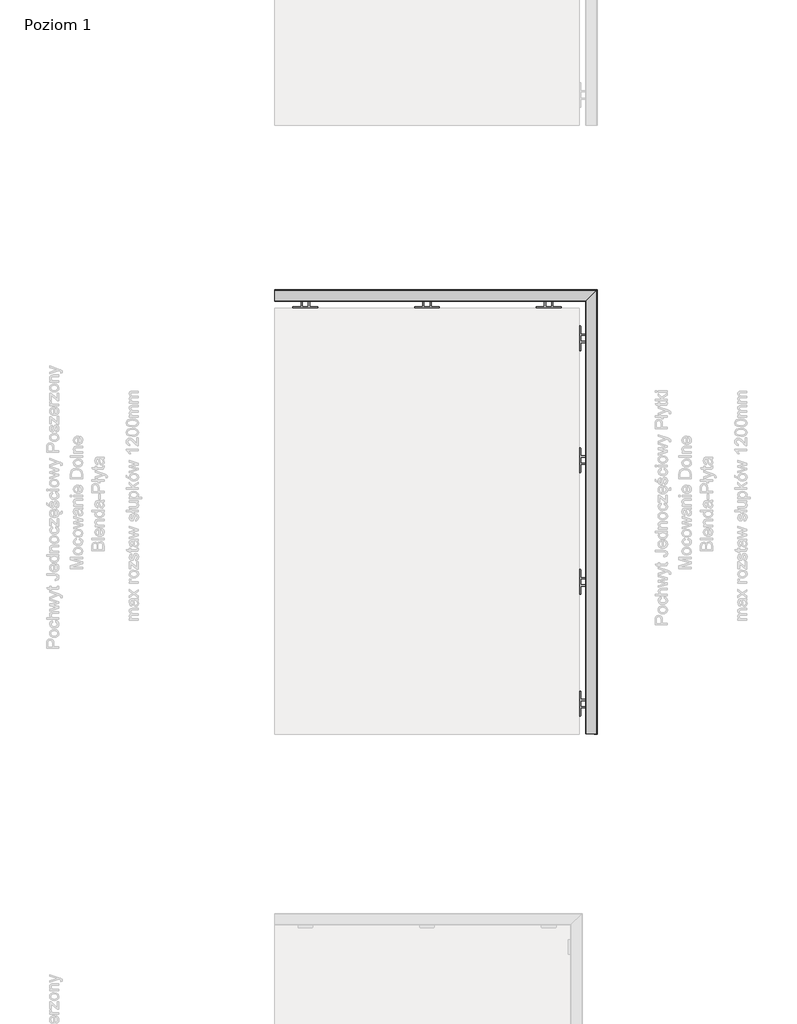
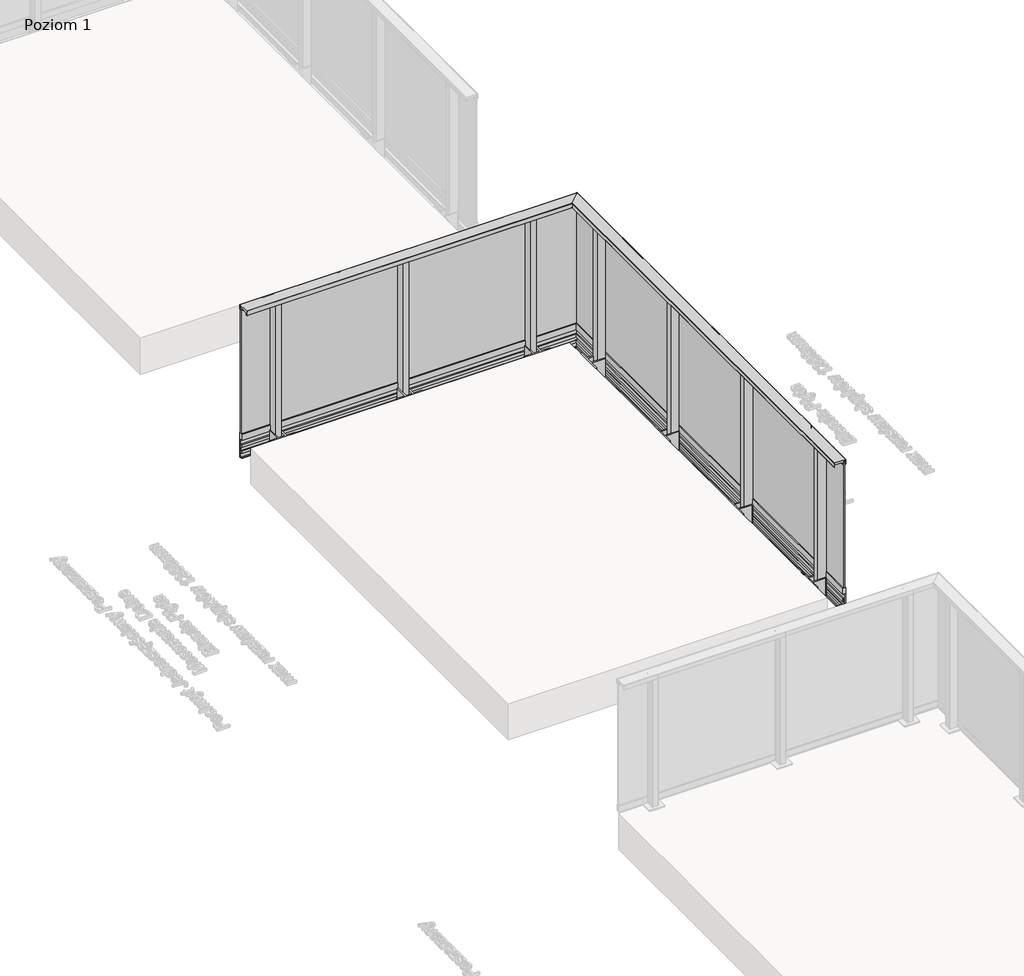
# One storey, part 3 of 35: 1 railing.
"""IFC4 building model written with IfcOpenShell, lengths in millimetres."""

from ifc_helpers import new_model, si_unit, frame, origin, place, context, project, spatial, polyline, circle_curve, ellipse_curve, outline, extrude, faceted_brep, element, save
from ifc_brep_helpers import plane_surface, cylinder_surface, revolved_surface, advanced_brep

model = new_model("IFC4")

# Units and contexts
model_context = context("Model", 3, world=origin())
ifc_project = project(units=[si_unit("LENGTHUNIT", "METRE", prefix="MILLI")], contexts=[model_context])

# Site, building, storey
site = spatial("IfcSite", under=ifc_project)
building = spatial("IfcBuilding", under=site)
storey = spatial("IfcBuildingStorey", under=building, Name="Poziom 1", Elevation=0.0)

# Railing
placement = place(None, origin())
element("IfcRailing", 1, at=placement, inside=storey, context=model_context, shape_type="SolidModel", body=[
    faceted_brep([(9530.9819967, -9629.5008183, -160.0), (9538.9819967, -9629.5008183, -160.0), (9538.9819967, -9629.5008183, -15.0), (9530.9819967, -9629.5008183, -15.0), (9530.9819967, -5989.5008183, -160.0), (9538.9819967, -5981.5008183, -160.0), (9538.9819967, -5981.5008183, -15.0), (9530.9819967, -5989.5008183, -15.0), (6890.9819967, -5989.5008183, -160.0), (6890.9819967, -5989.5008183, -15.0), (6890.9819967, -5981.5008183, -15.0), (6890.9819967, -5981.5008183, -160.0)], [[[0, 1, 2, 3]], [[1, 0, 4, 5]], [[2, 1, 5, 6]], [[3, 2, 6, 7]], [[0, 3, 7, 4]], [[8, 9, 10, 11]], [[5, 4, 8, 11]], [[6, 5, 11, 10]], [[7, 6, 10, 9]], [[4, 7, 9, 8]]]),
    faceted_brep([(9538.3652811, -9629.5008183, 37.0), (9514.3652811, -9629.5008183, 37.0), (9514.3652811, -9629.5008183, -13.15625), (9525.023675, -9629.5008183, -13.15625), (9525.023675, -9629.5008183, -50.6163494), (9514.3721534, -9629.5008183, -50.6163494), (9514.3721534, -9629.5008183, -72.6204288), (9516.4157985, -9629.5008183, -72.6204288), (9516.4157985, -9629.5008183, -52.6204288), (9527.3897991, -9629.5008183, -52.6204288), (9527.3897991, -9629.5008183, -119.2260542), (9516.4157985, -9629.5008183, -119.2260542), (9516.4157985, -9629.5008183, -99.2260542), (9514.3721534, -9629.5008183, -99.2260542), (9514.3721534, -9629.5008183, -121.2444445), (9525.023675, -9629.5008183, -121.2444445), (9525.023675, -9629.5008183, -158.2306744), (9516.2388511, -9629.5008183, -158.2306744), (9514.1935295, -9629.5008183, -158.2306744), (9514.1935295, -9629.5008183, -164.15625), (9538.3685602, -9629.5008183, -164.15625), (9538.3685602, -9629.5008183, -162.15625), (9527.3897991, -9629.5008183, -162.15625), (9527.3897991, -9629.5008183, -160.2306744), (9530.8948217, -9629.5008183, -160.2306744), (9530.8948217, -9629.5008183, -15.15625), (9527.3897991, -9629.5008183, -15.15625), (9527.3897991, -9629.5008183, -13.15625), (9538.3652811, -9629.5008183, -13.15625), (9538.3652811, -5982.117534, 37.0), (9514.3652811, -6006.117534, 37.0), (9514.3652811, -6006.117534, -13.15625), (9525.023675, -5995.4591401, -13.15625), (9525.023675, -5995.4591401, -50.6163494), (9514.3721534, -6006.1106616, -50.6163494), (9514.3721534, -6006.1106616, -72.6204288), (9516.4157985, -6004.0670165, -72.6204288), (9516.4157985, -6004.0670165, -52.6204288), (9527.3897991, -5993.093016, -52.6204288), (9527.3897991, -5993.093016, -119.2260542), (9516.4157985, -6004.0670165, -119.2260542), (9516.4157985, -6004.0670165, -99.2260542), (9514.3721534, -6006.1106616, -99.2260542), (9514.3721534, -6006.1106616, -121.2444445), (9525.023675, -5995.4591401, -121.2444445), (9525.023675, -5995.4591401, -158.2306744), (9516.2388511, -6004.243964, -158.2306744), (9514.1935295, -6006.2892856, -158.2306744), (9514.1935295, -6006.2892856, -164.15625), (9538.3685602, -5982.1142549, -164.15625), (9538.3685602, -5982.1142549, -162.15625), (9527.3897991, -5993.093016, -162.15625), (9527.3897991, -5993.093016, -160.2306744), (9530.8948217, -5989.5879934, -160.2306744), (9530.8948217, -5989.5879934, -15.15625), (9527.3897991, -5993.093016, -15.15625), (9527.3897991, -5993.093016, -13.15625), (9538.3652811, -5982.117534, -13.15625), (6890.9819967, -5982.117534, 37.0), (6890.9819967, -5982.117534, -13.15625), (6890.9819967, -5993.093016, -13.15625), (6890.9819967, -5993.093016, -15.15625), (6890.9819967, -5989.5879934, -15.15625), (6890.9819967, -5989.5879934, -160.2306744), (6890.9819967, -5993.093016, -160.2306744), (6890.9819967, -5993.093016, -162.15625), (6890.9819967, -5982.1142549, -162.15625), (6890.9819967, -5982.1142549, -164.15625), (6890.9819967, -6006.2892856, -164.15625), (6890.9819967, -6006.2892856, -158.2306744), (6890.9819967, -6004.243964, -158.2306744), (6890.9819967, -5995.4591401, -158.2306744), (6890.9819967, -5995.4591401, -121.2444445), (6890.9819967, -6006.1106616, -121.2444445), (6890.9819967, -6006.1106616, -99.2260542), (6890.9819967, -6004.0670165, -99.2260542), (6890.9819967, -6004.0670165, -119.2260542), (6890.9819967, -5993.093016, -119.2260542), (6890.9819967, -5993.093016, -52.6204288), (6890.9819967, -6004.0670165, -52.6204288), (6890.9819967, -6004.0670165, -72.6204288), (6890.9819967, -6006.1106616, -72.6204288), (6890.9819967, -6006.1106616, -50.6163494), (6890.9819967, -5995.4591401, -50.6163494), (6890.9819967, -5995.4591401, -13.15625), (6890.9819967, -6006.117534, -13.15625), (6890.9819967, -6006.117534, 37.0)], [[[0, 1, 2, 3, 4, 5, 6, 7, 8, 9, 10, 11, 12, 13, 14, 15, 16, 17, 18, 19, 20, 21, 22, 23, 24, 25, 26, 27, 28]], [[1, 0, 29, 30]], [[2, 1, 30, 31]], [[3, 2, 31, 32]], [[4, 3, 32, 33]], [[5, 4, 33, 34]], [[6, 5, 34, 35]], [[7, 6, 35, 36]], [[8, 7, 36, 37]], [[9, 8, 37, 38]], [[10, 9, 38, 39]], [[11, 10, 39, 40]], [[12, 11, 40, 41]], [[13, 12, 41, 42]], [[14, 13, 42, 43]], [[15, 14, 43, 44]], [[16, 15, 44, 45]], [[17, 16, 45, 46]], [[18, 17, 46, 47]], [[19, 18, 47, 48]], [[20, 19, 48, 49]], [[21, 20, 49, 50]], [[22, 21, 50, 51]], [[23, 22, 51, 52]], [[24, 23, 52, 53]], [[25, 24, 53, 54]], [[26, 25, 54, 55]], [[27, 26, 55, 56]], [[28, 27, 56, 57]], [[0, 28, 57, 29]], [[58, 59, 60, 61, 62, 63, 64, 65, 66, 67, 68, 69, 70, 71, 72, 73, 74, 75, 76, 77, 78, 79, 80, 81, 82, 83, 84, 85, 86]], [[30, 29, 58, 86]], [[31, 30, 86, 85]], [[32, 31, 85, 84]], [[33, 32, 84, 83]], [[34, 33, 83, 82]], [[35, 34, 82, 81]], [[36, 35, 81, 80]], [[37, 36, 80, 79]], [[38, 37, 79, 78]], [[39, 38, 78, 77]], [[40, 39, 77, 76]], [[41, 40, 76, 75]], [[42, 41, 75, 74]], [[43, 42, 74, 73]], [[44, 43, 73, 72]], [[45, 44, 72, 71]], [[46, 45, 71, 70]], [[47, 46, 70, 69]], [[48, 47, 69, 68]], [[49, 48, 68, 67]], [[50, 49, 67, 66]], [[51, 50, 66, 65]], [[52, 51, 65, 64]], [[53, 52, 64, 63]], [[54, 53, 63, 62]], [[55, 54, 62, 61]], [[56, 55, 61, 60]], [[57, 56, 60, 59]], [[29, 57, 59, 58]]]),
    advanced_brep(
    [(9446.4625786, -9629.5008183, 1100.0), (9445.9625786, -9629.5008183, 1099.5), (9445.9625786, -9629.5008183, 1065.5384355), (9446.4625786, -9629.5008183, 1065.0384355), (9447.9625786, -9629.5008183, 1065.0384355), (9447.9625786, -9629.5008183, 1084.0), (9513.9566873, -9629.5008183, 1084.0), (9513.9566873, -9629.5008183, 1065.0590672), (9516.7566873, -9629.5008183, 1065.0590672), (9516.7566873, -9629.5008183, 1066.2590672), (9515.9566873, -9629.5008183, 1066.2590672), (9515.9566873, -9629.5008183, 1097.5), (9516.4566873, -9629.5008183, 1098.0), (9533.4625786, -9629.5008183, 1098.0), (9533.9625786, -9629.5008183, 1097.5), (9533.9625786, -9629.5008183, 1066.2590672), (9533.1625786, -9629.5008183, 1066.2590672), (9533.1625786, -9629.5008183, 1065.0590672), (9537.4625786, -9629.5008183, 1065.0590672), (9537.9625786, -9629.5008183, 1065.5590672), (9537.9625786, -9629.5008183, 1099.5), (9537.4625786, -9629.5008183, 1100.0), (9446.4625786, -6074.0202365, 1100.0), (9445.9625786, -6074.5202365, 1099.5), (9445.9625786, -6074.5202365, 1065.5384355), (9446.4625786, -6074.0202365, 1065.0384355), (9447.9625786, -6072.5202365, 1065.0384355), (9447.9625786, -6072.5202365, 1084.0), (9513.9566873, -6006.5261277, 1084.0), (9513.9566873, -6006.5261277, 1065.0590672), (9516.7566873, -6003.7261277, 1065.0590672), (9516.7566873, -6003.7261277, 1066.2590672), (9515.9566873, -6004.5261277, 1066.2590672), (9515.9566873, -6004.5261277, 1097.5), (9516.4566873, -6004.0261277, 1098.0), (9533.4625786, -5987.0202365, 1098.0), (9533.9625786, -5986.5202365, 1097.5), (9533.9625786, -5986.5202365, 1066.2590672), (9533.1625786, -5987.3202365, 1066.2590672), (9533.1625786, -5987.3202365, 1065.0590672), (9537.4625786, -5983.0202365, 1065.0590672), (9537.9625786, -5982.5202365, 1065.5590672), (9537.9625786, -5982.5202365, 1099.5), (9537.4625786, -5983.0202365, 1100.0), (6890.9819967, -6074.0202365, 1100.0), (6890.9819967, -5983.0202365, 1100.0), (6890.9819967, -5982.5202365, 1099.5), (6890.9819967, -5982.5202365, 1065.5590672), (6890.9819967, -5983.0202365, 1065.0590672), (6890.9819967, -5987.3202365, 1065.0590672), (6890.9819967, -5987.3202365, 1066.2590672), (6890.9819967, -5986.5202365, 1066.2590672), (6890.9819967, -5986.5202365, 1097.5), (6890.9819967, -5987.0202365, 1098.0), (6890.9819967, -6004.0261277, 1098.0), (6890.9819967, -6004.5261277, 1097.5), (6890.9819967, -6004.5261277, 1066.2590672), (6890.9819967, -6003.7261277, 1066.2590672), (6890.9819967, -6003.7261277, 1065.0590672), (6890.9819967, -6006.5261277, 1065.0590672), (6890.9819967, -6006.5261277, 1084.0), (6890.9819967, -6072.5202365, 1084.0), (6890.9819967, -6072.5202365, 1065.0384355), (6890.9819967, -6074.0202365, 1065.0384355), (6890.9819967, -6074.5202365, 1065.5384355), (6890.9819967, -6074.5202365, 1099.5)],
    [
        (0, 1, circle_curve(frame((9446.4625786, -9629.5008183, 1099.5), z_axis=(0.0, -1.0, 0.0), x_axis=(1.0, 0.0, 0.0)), 0.5)),
        (1, 2),
        (2, 3, circle_curve(frame((9446.4625786, -9629.5008183, 1065.5384355), z_axis=(0.0, -1.0, 0.0), x_axis=(1.0, 0.0, 0.0)), 0.5)),
        (3, 4),
        (4, 5),
        (5, 6),
        (6, 7),
        (7, 8),
        (8, 9),
        (9, 10),
        (10, 11),
        (11, 12, circle_curve(frame((9516.4566873, -9629.5008183, 1097.5), z_axis=(0.0, 1.0, 0.0), x_axis=(1.0, 0.0, 0.0)), 0.5)),
        (12, 13),
        (13, 14, circle_curve(frame((9533.4625786, -9629.5008183, 1097.5), z_axis=(0.0, 1.0, 0.0), x_axis=(1.0, 0.0, 0.0)), 0.5)),
        (14, 15),
        (15, 16),
        (16, 17),
        (17, 18),
        (18, 19, circle_curve(frame((9537.4625786, -9629.5008183, 1065.5590672), z_axis=(0.0, -1.0, 0.0), x_axis=(1.0, 0.0, 0.0)), 0.5)),
        (19, 20),
        (20, 21, circle_curve(frame((9537.4625786, -9629.5008183, 1099.5), z_axis=(0.0, -1.0, 0.0), x_axis=(1.0, 0.0, 0.0)), 0.5)),
        (21, 0),
        (0, 22),
        (22, 23, ellipse_curve(frame((9446.4625786, -6074.0202365, 1099.5), z_axis=(0.7071067811865467, -0.7071067811865482, 0.0), x_axis=(-0.7071067811865482, -0.7071067811865469, 0.0)), 0.7071068, 0.5)),
        (23, 1),
        (23, 24),
        (24, 2),
        (24, 25, ellipse_curve(frame((9446.4625786, -6074.0202365, 1065.5384355), z_axis=(0.7071067811865467, -0.7071067811865482, 0.0), x_axis=(-0.7071067811865482, -0.7071067811865469, 0.0)), 0.7071068, 0.5)),
        (25, 3),
        (25, 26),
        (26, 4),
        (26, 27),
        (27, 5),
        (27, 28),
        (28, 6),
        (28, 29),
        (29, 7),
        (29, 30),
        (30, 8),
        (30, 31),
        (31, 9),
        (31, 32),
        (32, 10),
        (32, 33),
        (33, 11),
        (33, 34, ellipse_curve(frame((9516.4566873, -6004.0261277, 1097.5), z_axis=(-0.7071067811865467, 0.7071067811865482, 0.0), x_axis=(0.7071067811865482, 0.7071067811865469, 0.0)), 0.7071068, 0.5)),
        (34, 12),
        (34, 35),
        (35, 13),
        (35, 36, ellipse_curve(frame((9533.4625786, -5987.0202365, 1097.5), z_axis=(-0.7071067811865467, 0.7071067811865482, 0.0), x_axis=(0.7071067811865482, 0.7071067811865469, 0.0)), 0.7071068, 0.5)),
        (36, 14),
        (36, 37),
        (37, 15),
        (37, 38),
        (38, 16),
        (38, 39),
        (39, 17),
        (39, 40),
        (40, 18),
        (40, 41, ellipse_curve(frame((9537.4625786, -5983.0202365, 1065.5590672), z_axis=(0.7071067811865467, -0.7071067811865482, 0.0), x_axis=(-0.7071067811865482, -0.7071067811865469, 0.0)), 0.7071068, 0.5)),
        (41, 19),
        (41, 42),
        (42, 20),
        (42, 43, ellipse_curve(frame((9537.4625786, -5983.0202365, 1099.5), z_axis=(0.7071067811865467, -0.7071067811865482, 0.0), x_axis=(-0.7071067811865482, -0.7071067811865469, 0.0)), 0.7071068, 0.5)),
        (43, 21),
        (43, 22),
        (44, 45),
        (45, 46, circle_curve(frame((6890.9819967, -5983.0202365, 1099.5), z_axis=(-1.0, 0.0, 0.0), x_axis=(0.0, 1.0, 0.0)), 0.5)),
        (46, 47),
        (47, 48, circle_curve(frame((6890.9819967, -5983.0202365, 1065.5590672), z_axis=(-1.0, 0.0, 0.0), x_axis=(0.0, 1.0, 0.0)), 0.5)),
        (48, 49),
        (49, 50),
        (50, 51),
        (51, 52),
        (52, 53, circle_curve(frame((6890.9819967, -5987.0202365, 1097.5), z_axis=(1.0, 0.0, 0.0), x_axis=(0.0, 1.0, 0.0)), 0.5)),
        (53, 54),
        (54, 55, circle_curve(frame((6890.9819967, -6004.0261277, 1097.5), z_axis=(1.0, 0.0, 0.0), x_axis=(0.0, 1.0, 0.0)), 0.5)),
        (55, 56),
        (56, 57),
        (57, 58),
        (58, 59),
        (59, 60),
        (60, 61),
        (61, 62),
        (62, 63),
        (63, 64, circle_curve(frame((6890.9819967, -6074.0202365, 1065.5384355), z_axis=(-1.0, 0.0, 0.0), x_axis=(0.0, 1.0, 0.0)), 0.5)),
        (64, 65),
        (65, 44, circle_curve(frame((6890.9819967, -6074.0202365, 1099.5), z_axis=(-1.0, 0.0, 0.0), x_axis=(0.0, 1.0, 0.0)), 0.5)),
        (22, 44),
        (65, 23),
        (64, 24),
        (63, 25),
        (62, 26),
        (61, 27),
        (60, 28),
        (59, 29),
        (58, 30),
        (57, 31),
        (56, 32),
        (55, 33),
        (54, 34),
        (53, 35),
        (52, 36),
        (51, 37),
        (50, 38),
        (49, 39),
        (48, 40),
        (47, 41),
        (46, 42),
        (45, 43),
    ],
    [
        plane_surface(frame((9482.9819967, -9629.5008183, 1100.0), z_axis=(0.0, -1.0, 0.0), x_axis=(0.0, 0.0, 1.0))),
        cylinder_surface(frame((9446.4625786, -9629.5008183, 1099.5), z_axis=(0.0, -1.0, 0.0), x_axis=(1.0, 0.0, 0.0)), 0.5),
        plane_surface(frame((9445.9625786, -9629.5008183, 1099.5), z_axis=(-1.0, 0.0, 0.0), x_axis=(0.0, 1.0, 0.0))),
        cylinder_surface(frame((9446.4625786, -9629.5008183, 1065.5384355), z_axis=(0.0, -1.0, 0.0), x_axis=(1.0, 0.0, 0.0)), 0.5),
        plane_surface(frame((9446.4625786, -9629.5008183, 1065.0384355), z_axis=(0.0, 0.0, -1.0), x_axis=(0.0, 1.0, 0.0))),
        plane_surface(frame((9447.9625786, -9629.5008183, 1065.0384355), z_axis=(1.0, 0.0, 0.0), x_axis=(0.0, 1.0, 0.0))),
        plane_surface(frame((9447.9625786, -9629.5008183, 1084.0), z_axis=(0.0, 0.0, -1.0), x_axis=(0.0, 1.0, 0.0))),
        plane_surface(frame((9513.9566873, -9629.5008183, 1084.0), z_axis=(-1.0, 0.0, 0.0), x_axis=(0.0, 1.0, 0.0))),
        plane_surface(frame((9513.9566873, -9629.5008183, 1065.0590672), z_axis=(0.0, 0.0, -1.0), x_axis=(0.0, 1.0, 0.0))),
        plane_surface(frame((9516.7566873, -9629.5008183, 1065.0590672), z_axis=(1.0, 0.0, 0.0), x_axis=(0.0, 1.0, 0.0))),
        plane_surface(frame((9516.7566873, -9629.5008183, 1066.2590672), z_axis=(0.0, 0.0, 1.0), x_axis=(0.0, 1.0, 0.0))),
        plane_surface(frame((9515.9566873, -9629.5008183, 1066.2590672), z_axis=(1.0, 0.0, 0.0), x_axis=(0.0, 1.0, 0.0))),
        revolved_surface(polyline([(9516.9566873, -6003.526127686697, 1097.5), (9516.9566873, -9629.5008183, 1097.5)]), (9516.4566873, -9629.5008183, 1097.5), (0.0, 1.0, 0.0)),
        plane_surface(frame((9516.4566873, -9629.5008183, 1098.0), z_axis=(0.0, 0.0, -1.0), x_axis=(0.0, 1.0, 0.0))),
        revolved_surface(polyline([(9533.9625786, -5986.520236486696, 1097.5), (9533.9625786, -9629.5008183, 1097.5)]), (9533.4625786, -9629.5008183, 1097.5), (0.0, 1.0, 0.0)),
        plane_surface(frame((9533.9625786, -9629.5008183, 1097.5), z_axis=(-1.0, 0.0, 0.0), x_axis=(0.0, 1.0, 0.0))),
        plane_surface(frame((9533.9625786, -9629.5008183, 1066.2590672), z_axis=(0.0, 0.0, 1.0), x_axis=(0.0, 1.0, 0.0))),
        plane_surface(frame((9533.1625786, -9629.5008183, 1066.2590672), z_axis=(-1.0, 0.0, 0.0), x_axis=(0.0, 1.0, 0.0))),
        plane_surface(frame((9533.1625786, -9629.5008183, 1065.0590672), z_axis=(0.0, 0.0, -1.0), x_axis=(0.0, 1.0, 0.0))),
        cylinder_surface(frame((9537.4625786, -9629.5008183, 1065.5590672), z_axis=(0.0, -1.0, 0.0), x_axis=(1.0, 0.0, 0.0)), 0.5),
        plane_surface(frame((9537.9625786, -9629.5008183, 1065.5590672), z_axis=(1.0, 0.0, 0.0), x_axis=(0.0, 1.0, 0.0))),
        cylinder_surface(frame((9537.4625786, -9629.5008183, 1099.5), z_axis=(0.0, -1.0, 0.0), x_axis=(1.0, 0.0, 0.0)), 0.5),
        plane_surface(frame((9537.4625786, -9629.5008183, 1100.0), z_axis=(0.0, 0.0, 1.0), x_axis=(0.0, 1.0, 0.0))),
        plane_surface(frame((6890.9819967, -6037.5008183, 1100.0), z_axis=(-1.0, 0.0, 0.0), x_axis=(0.0, -1.0, 0.0))),
        cylinder_surface(frame((9482.9819967, -6074.0202365, 1099.5), z_axis=(1.0, 0.0, 0.0), x_axis=(0.0, 1.0, 0.0)), 0.5),
        plane_surface(frame((9445.9625786, -6074.5202365, 1099.5), z_axis=(0.0, -1.0, 0.0), x_axis=(-1.0, 0.0, 0.0))),
        cylinder_surface(frame((9482.9819967, -6074.0202365, 1065.5384355), z_axis=(1.0, 0.0, 0.0), x_axis=(0.0, 1.0, 0.0)), 0.5),
        plane_surface(frame((9446.4625786, -6074.0202365, 1065.0384355), z_axis=(0.0, 0.0, -1.0), x_axis=(-1.0, 0.0, 0.0))),
        plane_surface(frame((9447.9625786, -6072.5202365, 1065.0384355), z_axis=(0.0, 1.0, 0.0), x_axis=(-1.0, 0.0, 0.0))),
        plane_surface(frame((9447.9625786, -6072.5202365, 1084.0), z_axis=(0.0, 0.0, -1.0), x_axis=(-1.0, 0.0, 0.0))),
        plane_surface(frame((9513.9566873, -6006.5261277, 1084.0), z_axis=(0.0, -1.0, 0.0), x_axis=(-1.0, 0.0, 0.0))),
        plane_surface(frame((9513.9566873, -6006.5261277, 1065.0590672), z_axis=(0.0, 0.0, -1.0), x_axis=(-1.0, 0.0, 0.0))),
        plane_surface(frame((9516.7566873, -6003.7261277, 1065.0590672), z_axis=(0.0, 1.0, 0.0), x_axis=(-1.0, 0.0, 0.0))),
        plane_surface(frame((9516.7566873, -6003.7261277, 1066.2590672), z_axis=(0.0, 0.0, 1.0), x_axis=(-1.0, 0.0, 0.0))),
        plane_surface(frame((9515.9566873, -6004.5261277, 1066.2590672), z_axis=(0.0, 1.0, 0.0), x_axis=(-1.0, 0.0, 0.0))),
        revolved_surface(polyline([(6890.9819967, -6003.5261277, 1097.5), (9516.956687313303, -6003.5261277, 1097.5)]), (9482.9819967, -6004.0261277, 1097.5), (-1.0, 0.0, 0.0)),
        plane_surface(frame((9516.4566873, -6004.0261277, 1098.0), z_axis=(0.0, 0.0, -1.0), x_axis=(-1.0, 0.0, 0.0))),
        revolved_surface(polyline([(6890.9819967, -5986.5202365, 1097.5), (9533.962578613302, -5986.5202365, 1097.5)]), (9482.9819967, -5987.0202365, 1097.5), (-1.0, 0.0, 0.0)),
        plane_surface(frame((9533.9625786, -5986.5202365, 1097.5), z_axis=(0.0, -1.0, 0.0), x_axis=(-1.0, 0.0, 0.0))),
        plane_surface(frame((9533.9625786, -5986.5202365, 1066.2590672), z_axis=(0.0, 0.0, 1.0), x_axis=(-1.0, 0.0, 0.0))),
        plane_surface(frame((9533.1625786, -5987.3202365, 1066.2590672), z_axis=(0.0, -1.0, 0.0), x_axis=(-1.0, 0.0, 0.0))),
        plane_surface(frame((9533.1625786, -5987.3202365, 1065.0590672), z_axis=(0.0, 0.0, -1.0), x_axis=(-1.0, 0.0, 0.0))),
        cylinder_surface(frame((9482.9819967, -5983.0202365, 1065.5590672), z_axis=(1.0, 0.0, 0.0), x_axis=(0.0, 1.0, 0.0)), 0.5),
        plane_surface(frame((9537.9625786, -5982.5202365, 1065.5590672), z_axis=(0.0, 1.0, 0.0), x_axis=(-1.0, 0.0, 0.0))),
        cylinder_surface(frame((9482.9819967, -5983.0202365, 1099.5), z_axis=(1.0, 0.0, 0.0), x_axis=(0.0, 1.0, 0.0)), 0.5),
        plane_surface(frame((9537.4625786, -5983.0202365, 1100.0), z_axis=(0.0, 0.0, 1.0), x_axis=(-1.0, 0.0, 0.0))),
    ],
    [
        (0, [[1, 2, 3, 4, 5, 6, 7, 8, 9, 10, 11, 12, 13, 14, 15, 16, 17, 18, 19, 20, 21, 22]]),
        (1, [[-1, 23, 24, 25]]),
        (2, [[-2, -25, 26, 27]]),
        (3, [[-3, -27, 28, 29]]),
        (4, [[-4, -29, 30, 31]]),
        (5, [[-5, -31, 32, 33]]),
        (6, [[-6, -33, 34, 35]]),
        (7, [[-7, -35, 36, 37]]),
        (8, [[-8, -37, 38, 39]]),
        (9, [[-9, -39, 40, 41]]),
        (10, [[-10, -41, 42, 43]]),
        (11, [[-11, -43, 44, 45]]),
        (12, [[-12, -45, 46, 47]]),
        (13, [[-13, -47, 48, 49]]),
        (14, [[-14, -49, 50, 51]]),
        (15, [[-15, -51, 52, 53]]),
        (16, [[-16, -53, 54, 55]]),
        (17, [[-17, -55, 56, 57]]),
        (18, [[-18, -57, 58, 59]]),
        (19, [[-19, -59, 60, 61]]),
        (20, [[-20, -61, 62, 63]]),
        (21, [[-21, -63, 64, 65]]),
        (22, [[-22, -65, 66, -23]]),
        (23, [[67, 68, 69, 70, 71, 72, 73, 74, 75, 76, 77, 78, 79, 80, 81, 82, 83, 84, 85, 86, 87, 88]]),
        (24, [[-24, 89, -88, 90]]),
        (25, [[-26, -90, -87, 91]]),
        (26, [[-28, -91, -86, 92]]),
        (27, [[-30, -92, -85, 93]]),
        (28, [[-32, -93, -84, 94]]),
        (29, [[-34, -94, -83, 95]]),
        (30, [[-36, -95, -82, 96]]),
        (31, [[-38, -96, -81, 97]]),
        (32, [[-40, -97, -80, 98]]),
        (33, [[-42, -98, -79, 99]]),
        (34, [[-44, -99, -78, 100]]),
        (35, [[-46, -100, -77, 101]]),
        (36, [[-48, -101, -76, 102]]),
        (37, [[-50, -102, -75, 103]]),
        (38, [[-52, -103, -74, 104]]),
        (39, [[-54, -104, -73, 105]]),
        (40, [[-56, -105, -72, 106]]),
        (41, [[-58, -106, -71, 107]]),
        (42, [[-60, -107, -70, 108]]),
        (43, [[-62, -108, -69, 109]]),
        (44, [[-64, -109, -68, 110]]),
        (45, [[-66, -110, -67, -89]]),
    ],
),
    faceted_brep([(9529.9819967, -9629.5008183, 1087.0), (9521.9819967, -9629.5008183, 1087.0), (9521.9819967, -9629.5008183, 37.0), (9529.9819967, -9629.5008183, 37.0), (9529.9819967, -5990.5008183, 1087.0), (9521.9819967, -5998.5008183, 1087.0), (9521.9819967, -5998.5008183, 37.0), (9529.9819967, -5990.5008183, 37.0), (6890.9819967, -5990.5008183, 1087.0), (6890.9819967, -5990.5008183, 37.0), (6890.9819967, -5998.5008183, 37.0), (6890.9819967, -5998.5008183, 1087.0)], [[[0, 1, 2, 3]], [[1, 0, 4, 5]], [[2, 1, 5, 6]], [[3, 2, 6, 7]], [[0, 3, 7, 4]], [[8, 9, 10, 11]], [[5, 4, 8, 11]], [[6, 5, 11, 10]], [[7, 6, 10, 9]], [[4, 7, 9, 8]]]),
    faceted_brep([(9516.6692541, -9629.5008183, 1065.2160621), (9515.6441664, -9629.5008183, 1065.2160621), (9515.6441664, -9629.5008183, 1063.6627783), (9521.9819967, -9629.5008183, 1061.8454347), (9521.9819967, -9629.5008183, 1072.0), (9516.6692541, -9629.5008183, 1074.1464874), (9516.6692541, -6003.813561, 1065.2160621), (9515.6441664, -6004.8386487, 1065.2160621), (9515.6441664, -6004.8386487, 1063.6627783), (9521.9819967, -5998.5008183, 1061.8454347), (9521.9819967, -5998.5008183, 1072.0), (9516.6692541, -6003.813561, 1074.1464874), (6890.9819967, -6003.813561, 1065.2160621), (6890.9819967, -6003.813561, 1074.1464874), (6890.9819967, -5998.5008183, 1072.0), (6890.9819967, -5998.5008183, 1061.8454347), (6890.9819967, -6004.8386487, 1063.6627783), (6890.9819967, -6004.8386487, 1065.2160621)], [[[0, 1, 2, 3, 4, 5]], [[1, 0, 6, 7]], [[2, 1, 7, 8]], [[3, 2, 8, 9]], [[4, 3, 9, 10]], [[5, 4, 10, 11]], [[0, 5, 11, 6]], [[12, 13, 14, 15, 16, 17]], [[7, 6, 12, 17]], [[8, 7, 17, 16]], [[9, 8, 16, 15]], [[10, 9, 15, 14]], [[11, 10, 14, 13]], [[6, 11, 13, 12]]]),
    faceted_brep([(9535.2947394, -9629.5008183, 1065.2160621), (9535.2947394, -9629.5008183, 1074.1464874), (9529.9819967, -9629.5008183, 1072.0), (9529.9819967, -9629.5008183, 1061.8454347), (9536.3198271, -9629.5008183, 1063.6627783), (9536.3198271, -9629.5008183, 1065.2160621), (9535.2947394, -5985.1880757, 1065.2160621), (9535.2947394, -5985.1880757, 1074.1464874), (9529.9819967, -5990.5008183, 1072.0), (9529.9819967, -5990.5008183, 1061.8454347), (9536.3198271, -5984.162988, 1063.6627783), (9536.3198271, -5984.162988, 1065.2160621), (6890.9819967, -5985.1880757, 1065.2160621), (6890.9819967, -5984.162988, 1065.2160621), (6890.9819967, -5984.162988, 1063.6627783), (6890.9819967, -5990.5008183, 1061.8454347), (6890.9819967, -5990.5008183, 1072.0), (6890.9819967, -5985.1880757, 1074.1464874)], [[[0, 1, 2, 3, 4, 5]], [[1, 0, 6, 7]], [[2, 1, 7, 8]], [[3, 2, 8, 9]], [[4, 3, 9, 10]], [[5, 4, 10, 11]], [[0, 5, 11, 6]], [[12, 13, 14, 15, 16, 17]], [[7, 6, 12, 17]], [[8, 7, 17, 16]], [[9, 8, 16, 15]], [[10, 9, 15, 14]], [[11, 10, 14, 13]], [[6, 11, 13, 12]]]),
    extrude(outline(polyline([(7115.9819967, -6071.5008183), (7115.9819967, -6006.5008183), (7165.9819967, -6006.5008183), (7165.9819967, -6071.5008183), (7115.9819967, -6071.5008183)])), frame((0.0, 0.0, -162.0), z_axis=(0.0, 0.0, 1.0), x_axis=(1.0, 0.0, 0.0)), (0.0, 0.0, 1.0), 1250.0384355),
    extrude(outline(polyline([(7038.4819967, -6129.5008183), (7038.4819967, -6120.3292455), (7041.3104239, -6117.5008183), (7105.9612097, -6117.5008183), (7105.9612097, -6014.5637744), (7109.4872118, -6009.5281216), (7115.9612097, -6009.5281216), (7115.9612097, -6117.5008183), (7166.0027837, -6117.5008183), (7166.0027837, -6009.5281216), (7172.4767816, -6009.5281216), (7176.0027837, -6014.5637744), (7176.0027837, -6117.5008183), (7240.6535696, -6117.5008183), (7243.4819967, -6120.3292455), (7243.4819967, -6129.5008183), (7038.4819967, -6129.5008183)])), frame((0.0, 0.0, -152.0), z_axis=(0.0, 0.0, 1.0), x_axis=(1.0, 0.0, 0.0)), (0.0, 0.0, 1.0), 150.0),
    extrude(outline(polyline([(8115.9819967, -6071.5008183), (8115.9819967, -6006.5008183), (8165.9819967, -6006.5008183), (8165.9819967, -6071.5008183), (8115.9819967, -6071.5008183)])), frame((0.0, 0.0, -162.0), z_axis=(0.0, 0.0, 1.0), x_axis=(1.0, 0.0, 0.0)), (0.0, 0.0, 1.0), 1250.0384355),
    extrude(outline(polyline([(8038.4819967, -6129.5008183), (8038.4819967, -6120.3292455), (8041.3104239, -6117.5008183), (8105.9612097, -6117.5008183), (8105.9612097, -6014.5637744), (8109.4872118, -6009.5281216), (8115.9612097, -6009.5281216), (8115.9612097, -6117.5008183), (8166.0027837, -6117.5008183), (8166.0027837, -6009.5281216), (8172.4767816, -6009.5281216), (8176.0027837, -6014.5637744), (8176.0027837, -6117.5008183), (8240.6535696, -6117.5008183), (8243.4819967, -6120.3292455), (8243.4819967, -6129.5008183), (8038.4819967, -6129.5008183)])), frame((0.0, 0.0, -152.0), z_axis=(0.0, 0.0, 1.0), x_axis=(1.0, 0.0, 0.0)), (0.0, 0.0, 1.0), 150.0),
    extrude(outline(polyline([(9115.9819967, -6071.5008183), (9115.9819967, -6006.5008183), (9165.9819967, -6006.5008183), (9165.9819967, -6071.5008183), (9115.9819967, -6071.5008183)])), frame((0.0, 0.0, -162.0), z_axis=(0.0, 0.0, 1.0), x_axis=(1.0, 0.0, 0.0)), (0.0, 0.0, 1.0), 1250.0384355),
    extrude(outline(polyline([(9038.4819967, -6129.5008183), (9038.4819967, -6120.3292455), (9041.3104239, -6117.5008183), (9105.9612097, -6117.5008183), (9105.9612097, -6014.5637744), (9109.4872118, -6009.5281216), (9115.9612097, -6009.5281216), (9115.9612097, -6117.5008183), (9166.0027837, -6117.5008183), (9166.0027837, -6009.5281216), (9172.4767816, -6009.5281216), (9176.0027837, -6014.5637744), (9176.0027837, -6117.5008183), (9240.6535696, -6117.5008183), (9243.4819967, -6120.3292455), (9243.4819967, -6129.5008183), (9038.4819967, -6129.5008183)])), frame((0.0, 0.0, -152.0), z_axis=(0.0, 0.0, 1.0), x_axis=(1.0, 0.0, 0.0)), (0.0, 0.0, 1.0), 150.0),
    extrude(outline(polyline([(9448.9819967, -6354.5008183), (9513.9819967, -6354.5008183), (9513.9819967, -6404.5008183), (9448.9819967, -6404.5008183), (9448.9819967, -6354.5008183)])), frame((0.0, 0.0, -162.0), z_axis=(0.0, 0.0, 1.0), x_axis=(1.0, 0.0, 0.0)), (0.0, 0.0, 1.0), 1250.0384355),
    extrude(outline(polyline([(9390.9819967, -6277.0008183), (9400.1535696, -6277.0008183), (9402.9819967, -6279.8292455), (9402.9819967, -6344.4800313), (9505.9190406, -6344.4800313), (9510.9546935, -6348.0060334), (9510.9546935, -6354.4800313), (9402.9819967, -6354.4800313), (9402.9819967, -6404.5216053), (9510.9546935, -6404.5216053), (9510.9546935, -6410.9956032), (9505.9190406, -6414.5216053), (9402.9819967, -6414.5216053), (9402.9819967, -6479.1723912), (9400.1535696, -6482.0008183), (9390.9819967, -6482.0008183), (9390.9819967, -6277.0008183)])), frame((0.0, 0.0, -152.0), z_axis=(0.0, 0.0, 1.0), x_axis=(1.0, 0.0, 0.0)), (0.0, 0.0, 1.0), 150.0),
    extrude(outline(polyline([(9448.9819967, -7354.5008183), (9513.9819967, -7354.5008183), (9513.9819967, -7404.5008183), (9448.9819967, -7404.5008183), (9448.9819967, -7354.5008183)])), frame((0.0, 0.0, -162.0), z_axis=(0.0, 0.0, 1.0), x_axis=(1.0, 0.0, 0.0)), (0.0, 0.0, 1.0), 1250.0384355),
    extrude(outline(polyline([(9390.9819967, -7277.0008183), (9400.1535696, -7277.0008183), (9402.9819967, -7279.8292455), (9402.9819967, -7344.4800313), (9505.9190406, -7344.4800313), (9510.9546935, -7348.0060334), (9510.9546935, -7354.4800313), (9402.9819967, -7354.4800313), (9402.9819967, -7404.5216053), (9510.9546935, -7404.5216053), (9510.9546935, -7410.9956032), (9505.9190406, -7414.5216053), (9402.9819967, -7414.5216053), (9402.9819967, -7479.1723912), (9400.1535696, -7482.0008183), (9390.9819967, -7482.0008183), (9390.9819967, -7277.0008183)])), frame((0.0, 0.0, -152.0), z_axis=(0.0, 0.0, 1.0), x_axis=(1.0, 0.0, 0.0)), (0.0, 0.0, 1.0), 150.0),
    extrude(outline(polyline([(9448.9819967, -8354.5008183), (9513.9819967, -8354.5008183), (9513.9819967, -8404.5008183), (9448.9819967, -8404.5008183), (9448.9819967, -8354.5008183)])), frame((0.0, 0.0, -162.0), z_axis=(0.0, 0.0, 1.0), x_axis=(1.0, 0.0, 0.0)), (0.0, 0.0, 1.0), 1250.0384355),
    extrude(outline(polyline([(9390.9819967, -8277.0008183), (9400.1535696, -8277.0008183), (9402.9819967, -8279.8292455), (9402.9819967, -8344.4800313), (9505.9190406, -8344.4800313), (9510.9546935, -8348.0060334), (9510.9546935, -8354.4800313), (9402.9819967, -8354.4800313), (9402.9819967, -8404.5216053), (9510.9546935, -8404.5216053), (9510.9546935, -8410.9956032), (9505.9190406, -8414.5216053), (9402.9819967, -8414.5216053), (9402.9819967, -8479.1723912), (9400.1535696, -8482.0008183), (9390.9819967, -8482.0008183), (9390.9819967, -8277.0008183)])), frame((0.0, 0.0, -152.0), z_axis=(0.0, 0.0, 1.0), x_axis=(1.0, 0.0, 0.0)), (0.0, 0.0, 1.0), 150.0),
    extrude(outline(polyline([(9448.9819967, -9354.5008183), (9513.9819967, -9354.5008183), (9513.9819967, -9404.5008183), (9448.9819967, -9404.5008183), (9448.9819967, -9354.5008183)])), frame((0.0, 0.0, -162.0), z_axis=(0.0, 0.0, 1.0), x_axis=(1.0, 0.0, 0.0)), (0.0, 0.0, 1.0), 1250.0384355),
    extrude(outline(polyline([(9390.9819967, -9277.0008183), (9400.1535696, -9277.0008183), (9402.9819967, -9279.8292455), (9402.9819967, -9344.4800313), (9505.9190406, -9344.4800313), (9510.9546935, -9348.0060334), (9510.9546935, -9354.4800313), (9402.9819967, -9354.4800313), (9402.9819967, -9404.5216053), (9510.9546935, -9404.5216053), (9510.9546935, -9410.9956032), (9505.9190406, -9414.5216053), (9402.9819967, -9414.5216053), (9402.9819967, -9479.1723912), (9400.1535696, -9482.0008183), (9390.9819967, -9482.0008183), (9390.9819967, -9277.0008183)])), frame((0.0, 0.0, -152.0), z_axis=(0.0, 0.0, 1.0), x_axis=(1.0, 0.0, 0.0)), (0.0, 0.0, 1.0), 150.0),
    extrude(outline(polyline([(7115.9819967, -6071.5008183), (7115.9819967, -6006.5008183), (7165.9819967, -6006.5008183), (7165.9819967, -6071.5008183), (7115.9819967, -6071.5008183)])), frame((0.0, 0.0, -162.0), z_axis=(0.0, 0.0, 1.0), x_axis=(1.0, 0.0, 0.0)), (0.0, 0.0, 1.0), 1250.0384355),
    extrude(outline(polyline([(7038.4819967, -6129.5008183), (7038.4819967, -6120.3292455), (7041.3104239, -6117.5008183), (7105.9612097, -6117.5008183), (7105.9612097, -6014.5637744), (7109.4872118, -6009.5281216), (7115.9612097, -6009.5281216), (7115.9612097, -6117.5008183), (7166.0027837, -6117.5008183), (7166.0027837, -6009.5281216), (7172.4767816, -6009.5281216), (7176.0027837, -6014.5637744), (7176.0027837, -6117.5008183), (7240.6535696, -6117.5008183), (7243.4819967, -6120.3292455), (7243.4819967, -6129.5008183), (7038.4819967, -6129.5008183)])), frame((0.0, 0.0, -152.0), z_axis=(0.0, 0.0, 1.0), x_axis=(1.0, 0.0, 0.0)), (0.0, 0.0, 1.0), 150.0),
    extrude(outline(polyline([(9448.9819967, -9354.5008183), (9513.9819967, -9354.5008183), (9513.9819967, -9404.5008183), (9448.9819967, -9404.5008183), (9448.9819967, -9354.5008183)])), frame((0.0, 0.0, -162.0), z_axis=(0.0, 0.0, 1.0), x_axis=(1.0, 0.0, 0.0)), (0.0, 0.0, 1.0), 1250.0384355),
    extrude(outline(polyline([(9390.9819967, -9277.0008183), (9400.1535696, -9277.0008183), (9402.9819967, -9279.8292455), (9402.9819967, -9344.4800313), (9505.9190406, -9344.4800313), (9510.9546935, -9348.0060334), (9510.9546935, -9354.4800313), (9402.9819967, -9354.4800313), (9402.9819967, -9404.5216053), (9510.9546935, -9404.5216053), (9510.9546935, -9410.9956032), (9505.9190406, -9414.5216053), (9402.9819967, -9414.5216053), (9402.9819967, -9479.1723912), (9400.1535696, -9482.0008183), (9390.9819967, -9482.0008183), (9390.9819967, -9277.0008183)])), frame((0.0, 0.0, -152.0), z_axis=(0.0, 0.0, 1.0), x_axis=(1.0, 0.0, 0.0)), (0.0, 0.0, 1.0), 150.0),
])

save(model, "model.ifc")
